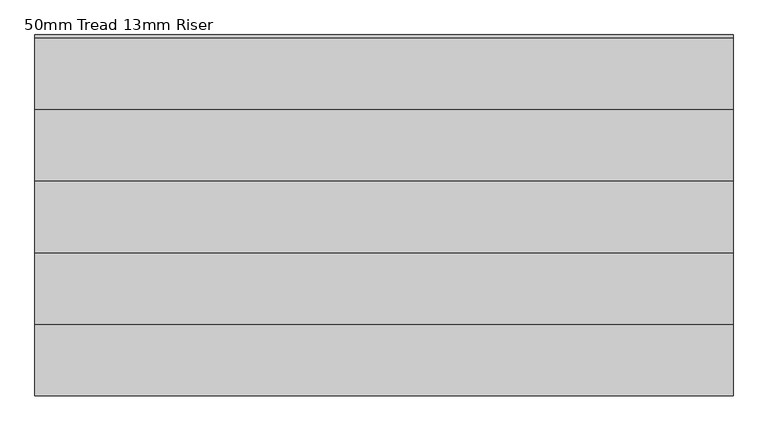
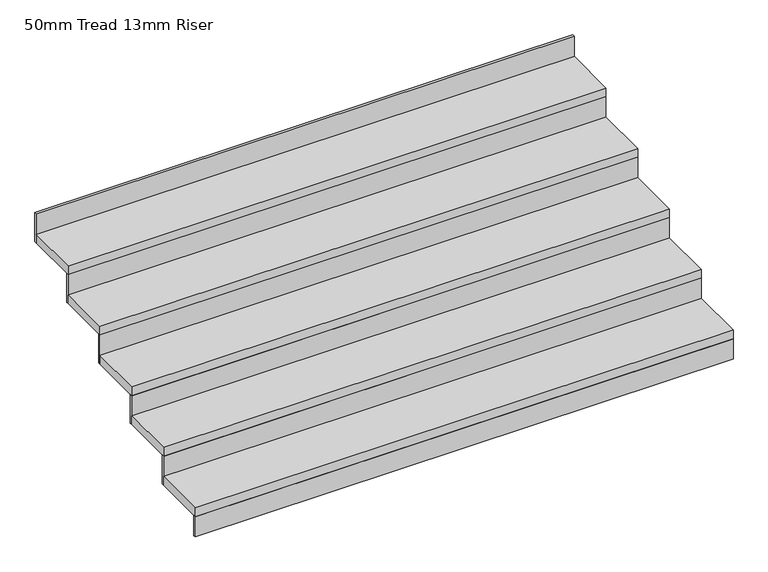
"""IFC4 building model written with IfcOpenShell, lengths in millimetres: stair flight geometry, 50mm Tread 13mm Riser."""

from ifc_helpers import new_model, si_unit, frame, origin, place, context, project, spatial, polyline, outline, extrude, source, transform, mapped, element, save


def stair_flight_50mm_tread_13mm_riser_edfd0a56(model_context):
    return source(origin(), model_context, "Body", "SweptSolid", [
        extrude(outline(polyline([(4874.8685856, -31392.3132181), (4874.8685856, -31404.8132181), (1947.3860296, -31404.8132181), (1947.3860296, -31392.3132181), (4874.8685856, -31392.3132181)])), frame((0.0, 0.0, -1000.0), z_axis=(0.0, 0.0, 1.0), x_axis=(1.0, 0.0, 0.0)), (0.0, 0.0, 1.0), 116.6666667),
        extrude(outline(polyline([(1947.3860296, -31104.8132181), (4874.8685856, -31104.8132181), (4874.8685856, -31404.8132181), (1947.3860296, -31404.8132181), (1947.3860296, -31104.8132181)])), frame((0.0, 0.0, -883.3333333), z_axis=(0.0, 0.0, 1.0), x_axis=(1.0, 0.0, 0.0)), (0.0, 0.0, 1.0), 50.0),
        extrude(outline(polyline([(4874.8685856, -31092.3132181), (4874.8685856, -31104.8132181), (1947.3860296, -31104.8132181), (1947.3860296, -31092.3132181), (4874.8685856, -31092.3132181)])), frame((0.0, 0.0, -883.3333333), z_axis=(0.0, 0.0, 1.0), x_axis=(1.0, 0.0, 0.0)), (0.0, 0.0, 1.0), 166.6666667),
        extrude(outline(polyline([(1947.3860296, -30804.8132181), (4874.8685856, -30804.8132181), (4874.8685856, -31104.8132181), (1947.3860296, -31104.8132181), (1947.3860296, -30804.8132181)])), frame((0.0, 0.0, -716.6666667), z_axis=(0.0, 0.0, 1.0), x_axis=(1.0, 0.0, 0.0)), (0.0, 0.0, 1.0), 50.0),
        extrude(outline(polyline([(4874.8685856, -30792.3132181), (4874.8685856, -30804.8132181), (1947.3860296, -30804.8132181), (1947.3860296, -30792.3132181), (4874.8685856, -30792.3132181)])), frame((0.0, 0.0, -716.6666667), z_axis=(0.0, 0.0, 1.0), x_axis=(1.0, 0.0, 0.0)), (0.0, 0.0, 1.0), 166.6666667),
        extrude(outline(polyline([(1947.3860296, -30504.8132181), (4874.8685856, -30504.8132181), (4874.8685856, -30804.8132181), (1947.3860296, -30804.8132181), (1947.3860296, -30504.8132181)])), frame((0.0, 0.0, -550.0), z_axis=(0.0, 0.0, 1.0), x_axis=(1.0, 0.0, 0.0)), (0.0, 0.0, 1.0), 50.0),
        extrude(outline(polyline([(4874.8685856, -30492.3132181), (4874.8685856, -30504.8132181), (1947.3860296, -30504.8132181), (1947.3860296, -30492.3132181), (4874.8685856, -30492.3132181)])), frame((0.0, 0.0, -550.0), z_axis=(0.0, 0.0, 1.0), x_axis=(1.0, 0.0, 0.0)), (0.0, 0.0, 1.0), 166.6666667),
        extrude(outline(polyline([(1947.3860296, -30204.8132181), (4874.8685856, -30204.8132181), (4874.8685856, -30504.8132181), (1947.3860296, -30504.8132181), (1947.3860296, -30204.8132181)])), frame((0.0, 0.0, -383.3333333), z_axis=(0.0, 0.0, 1.0), x_axis=(1.0, 0.0, 0.0)), (0.0, 0.0, 1.0), 50.0),
        extrude(outline(polyline([(4874.8685856, -30192.3132181), (4874.8685856, -30204.8132181), (1947.3860296, -30204.8132181), (1947.3860296, -30192.3132181), (4874.8685856, -30192.3132181)])), frame((0.0, 0.0, -383.3333333), z_axis=(0.0, 0.0, 1.0), x_axis=(1.0, 0.0, 0.0)), (0.0, 0.0, 1.0), 166.6666667),
        extrude(outline(polyline([(4874.8685856, -29892.3132181), (4874.8685856, -29904.8132181), (1947.3860296, -29904.8132181), (1947.3860296, -29892.3132181), (4874.8685856, -29892.3132181)])), frame((0.0, 0.0, -216.6666667), z_axis=(0.0, 0.0, 1.0), x_axis=(1.0, 0.0, 0.0)), (0.0, 0.0, 1.0), 166.6666667),
        extrude(outline(polyline([(1947.3860296, -29904.8132181), (4874.8685856, -29904.8132181), (4874.8685856, -30204.8132181), (1947.3860296, -30204.8132181), (1947.3860296, -29904.8132181)])), frame((0.0, 0.0, -216.6666667), z_axis=(0.0, 0.0, 1.0), x_axis=(1.0, 0.0, 0.0)), (0.0, 0.0, 1.0), 50.0),
    ])


if __name__ == "__main__":
    model = new_model("IFC4")
    model_context = context("Model", 3, world=origin())
    ifc_project = project(units=[si_unit("LENGTHUNIT", "METRE", prefix="MILLI")], contexts=[model_context])
    site = spatial("IfcSite", under=ifc_project)
    building = spatial("IfcBuilding", under=site)
    placement = place(None, origin())
    stair_flight_50mm_tread_13mm_riser_shape = stair_flight_50mm_tread_13mm_riser_edfd0a56(model_context)
    element("IfcStairFlight", 1, ObjectType="50mm Tread 13mm Riser", at=placement, inside=building, context=model_context, shape_type="MappedRepresentation", body=[
        mapped(stair_flight_50mm_tread_13mm_riser_shape, transform((0.0, 0.0, 0.0), x_axis=(1.0, 0.0, 0.0), y_axis=(0.0, 1.0, 0.0), z_axis=(0.0, 0.0, 1.0))),
    ])
    save(model, "model.ifc")
